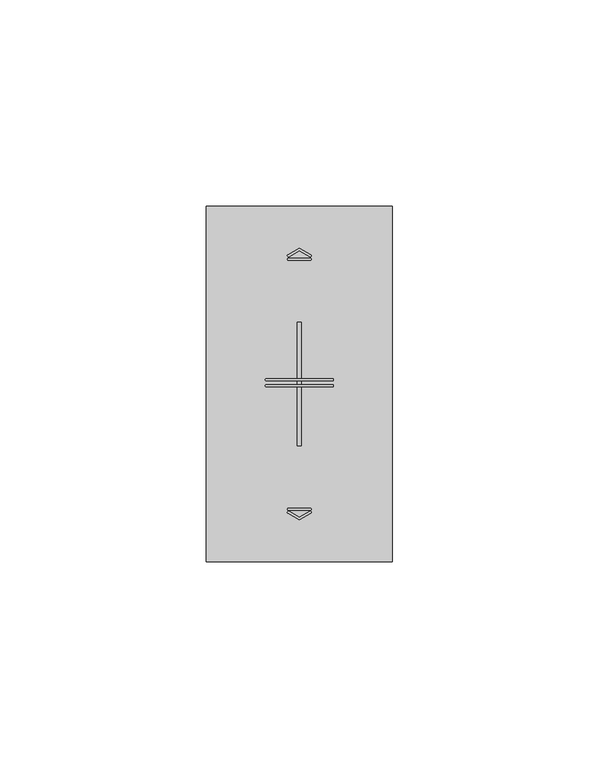
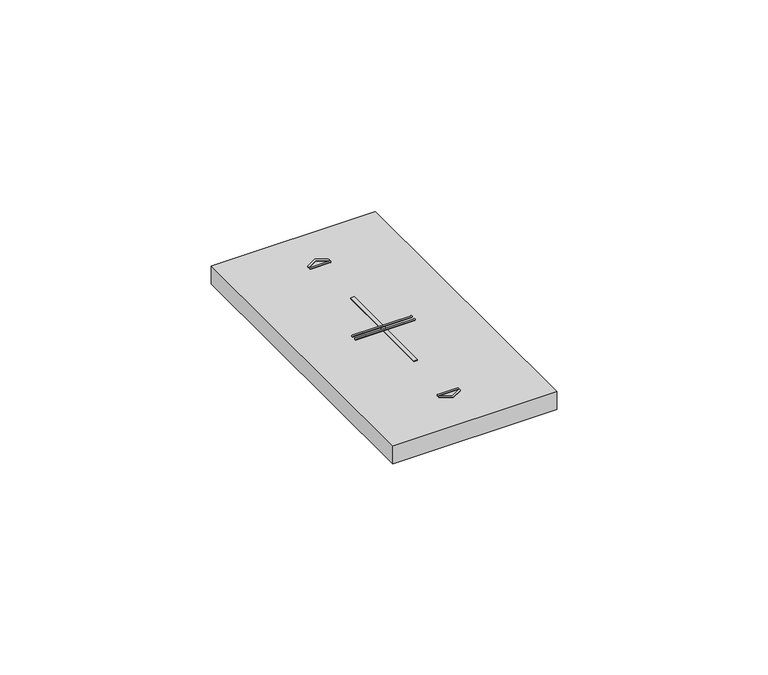
"""IFC4 building model written with IfcOpenShell, lengths in millimetres: proxy geometry."""

from ifc_helpers import new_model, si_unit, point, frame, frame_2d, origin, place, context, project, spatial, polyline, circle_curve, trimmed, segment, composite_curve, outline, extrude, source, transform, mapped, element, save


def electrical_fixtures_c7188f5e(model_context):
    return source(origin(), model_context, "Body", "SweptSolid", [
        extrude(outline(composite_curve([segment(polyline([(19.7592079, 74.3175033), (22.5, 75.8674578), (25.2407962, 74.3175011)]), True, "CONTINUOUS"), segment(trimmed(circle_curve(frame_2d((25.108088, 74.0828325)), 0.2695938), [point((25.2407962, 74.3175011))], [point((24.9753797, 73.8481639))], False, "CARTESIAN"), True, "CONTINUOUS"), segment(polyline([(24.9753797, 73.8481639), (22.5, 75.2480241), (20.0246243, 73.8481662)]), True, "CONTINUOUS"), segment(trimmed(circle_curve(frame_2d((19.8919161, 74.0828348)), 0.2695938), [point((20.0246243, 73.8481662))], [point((19.7592079, 74.3175033))], False, "CARTESIAN"), True, "CONTINUOUS")], self_intersect=False)), frame((0.0, 0.0, 10.7), z_axis=(0.0, 0.0, 1.0), x_axis=(1.0, 0.0, 0.0)), (0.0, 0.0, 1.0), 0.1652311),
        extrude(outline(composite_curve([segment(polyline([(14.4966743, 44.2699983), (30.5033298, 44.2699983)]), True, "CONTINUOUS"), segment(trimmed(circle_curve(frame_2d((30.5033298, 44.0206464)), 0.249352), [point((30.5033298, 44.2699983))], [point((30.5033298, 43.7712944))], False, "CARTESIAN"), True, "CONTINUOUS"), segment(polyline([(30.5033298, 43.7712944), (14.4966743, 43.7712944)]), True, "CONTINUOUS"), segment(trimmed(circle_curve(frame_2d((14.4966743, 44.0206464)), 0.249352), [point((14.4966743, 43.7712944))], [point((14.4966743, 44.2699983))], False, "CARTESIAN"), True, "CONTINUOUS")], self_intersect=False)), frame((0.0, 0.0, 10.7), z_axis=(0.0, 0.0, 1.0), x_axis=(1.0, 0.0, 0.0)), (0.0, 0.0, 1.0), 0.1652311),
        extrude(outline(composite_curve([segment(trimmed(circle_curve(frame_2d((19.8919161, 11.9171652)), 0.2695938), [point((19.7592079, 11.6824967))], [point((20.0246243, 12.1518338))], False, "CARTESIAN"), True, "CONTINUOUS"), segment(polyline([(20.0246243, 12.1518338), (22.5, 10.7519759), (24.9753797, 12.1518361)]), True, "CONTINUOUS"), segment(trimmed(circle_curve(frame_2d((25.108088, 11.9171675)), 0.2695938), [point((24.9753797, 12.1518361))], [point((25.2407962, 11.6824989))], False, "CARTESIAN"), True, "CONTINUOUS"), segment(polyline([(25.2407962, 11.6824989), (22.5, 10.1325422), (19.7592079, 11.6824967)]), True, "CONTINUOUS")], self_intersect=False)), frame((0.0, 0.0, 10.7), z_axis=(0.0, 0.0, 1.0), x_axis=(1.0, 0.0, 0.0)), (0.0, 0.0, 1.0), 0.1652311),
        extrude(outline(composite_curve([segment(trimmed(circle_curve(frame_2d((19.8716743, 73.2222454)), 0.249352), [point((19.8716743, 72.9728934))], [point((19.8716743, 73.4715974))], False, "CARTESIAN"), True, "CONTINUOUS"), segment(polyline([(19.8716743, 73.4715974), (25.1283298, 73.4715974)]), True, "CONTINUOUS"), segment(trimmed(circle_curve(frame_2d((25.1283298, 73.2222454)), 0.249352), [point((25.1283298, 73.4715974))], [point((25.1283298, 72.9728934))], False, "CARTESIAN"), True, "CONTINUOUS"), segment(polyline([(25.1283298, 72.9728934), (19.8716743, 72.9728934)]), True, "CONTINUOUS")], self_intersect=False)), frame((0.0, 0.0, 10.7), z_axis=(0.0, 0.0, 1.0), x_axis=(1.0, 0.0, 0.0)), (0.0, 0.0, 1.0), 0.1652311),
        extrude(outline(composite_curve([segment(polyline([(14.4966743, 42.840784), (30.5033298, 42.840784)]), True, "CONTINUOUS"), segment(trimmed(circle_curve(frame_2d((30.5033298, 42.591432)), 0.249352), [point((30.5033298, 42.840784))], [point((30.5033298, 42.34208))], False, "CARTESIAN"), True, "CONTINUOUS"), segment(polyline([(30.5033298, 42.34208), (14.4966743, 42.34208)]), True, "CONTINUOUS"), segment(trimmed(circle_curve(frame_2d((14.4966743, 42.591432)), 0.249352), [point((14.4966743, 42.34208))], [point((14.4966743, 42.840784))], False, "CARTESIAN"), True, "CONTINUOUS")], self_intersect=False)), frame((0.0, 0.0, 10.7), z_axis=(0.0, 0.0, 1.0), x_axis=(1.0, 0.0, 0.0)), (0.0, 0.0, 1.0), 0.1652311),
        extrude(outline(composite_curve([segment(trimmed(circle_curve(frame_2d((19.8716743, 12.6535816)), 0.249352), [point((19.8716743, 12.4042296))], [point((19.8716743, 12.9029336))], False, "CARTESIAN"), True, "CONTINUOUS"), segment(polyline([(19.8716743, 12.9029336), (25.1283298, 12.9029336)]), True, "CONTINUOUS"), segment(trimmed(circle_curve(frame_2d((25.1283298, 12.6535816)), 0.249352), [point((25.1283298, 12.9029336))], [point((25.1283298, 12.4042296))], False, "CARTESIAN"), True, "CONTINUOUS"), segment(polyline([(25.1283298, 12.4042296), (19.8716743, 12.4042296)]), True, "CONTINUOUS")], self_intersect=False)), frame((0.0, 0.0, 10.7), z_axis=(0.0, 0.0, 1.0), x_axis=(1.0, 0.0, 0.0)), (0.0, 0.0, 1.0), 0.1652311),
        extrude(outline(polyline([(22.0, 58.0), (23.0, 58.0), (23.0, 28.0), (22.0, 28.0), (22.0, 58.0)])), frame((0.0, 0.0, 5.5), z_axis=(0.0, 0.0, 1.0), x_axis=(1.0, 0.0, 0.0)), (0.0, 0.0, 1.0), 5.2),
        extrude(outline(polyline([(0.0, 0.0), (0.0, 86.0), (45.0, 86.0), (45.0, 0.0), (0.0, 0.0)]), holes=[polyline([(22.0, 58.0), (22.0, 28.0), (23.0, 28.0), (23.0, 58.0), (22.0, 58.0)])]), frame((0.0, 0.0, 5.5), z_axis=(0.0, 0.0, 1.0), x_axis=(1.0, 0.0, 0.0)), (0.0, 0.0, 1.0), 5.2),
    ])


if __name__ == "__main__":
    model = new_model("IFC4")
    model_context = context("Model", 3, world=origin())
    ifc_project = project(units=[si_unit("LENGTHUNIT", "METRE", prefix="MILLI")], contexts=[model_context])
    site = spatial("IfcSite", under=ifc_project)
    building = spatial("IfcBuilding", under=site)
    placement = place(None, origin())
    electrical_fixtures_shape = electrical_fixtures_c7188f5e(model_context)
    element("IfcBuildingElementProxy", 1, Name="Electrical Fixtures", at=placement, inside=building, context=model_context, shape_type="MappedRepresentation", body=[
        mapped(electrical_fixtures_shape, transform((0.0, 0.0, 0.0), x_axis=(1.0, 0.0, 0.0), y_axis=(0.0, 1.0, 0.0), z_axis=(0.0, 0.0, 1.0))),
    ])
    save(model, "model.ifc")
